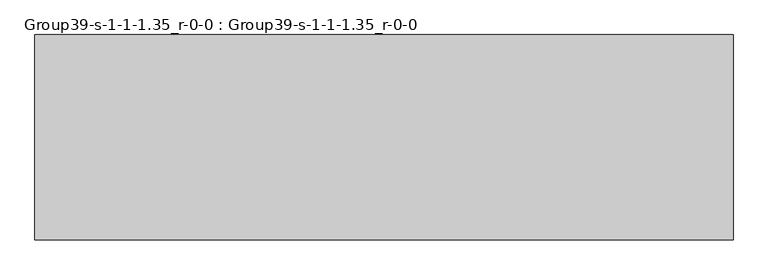
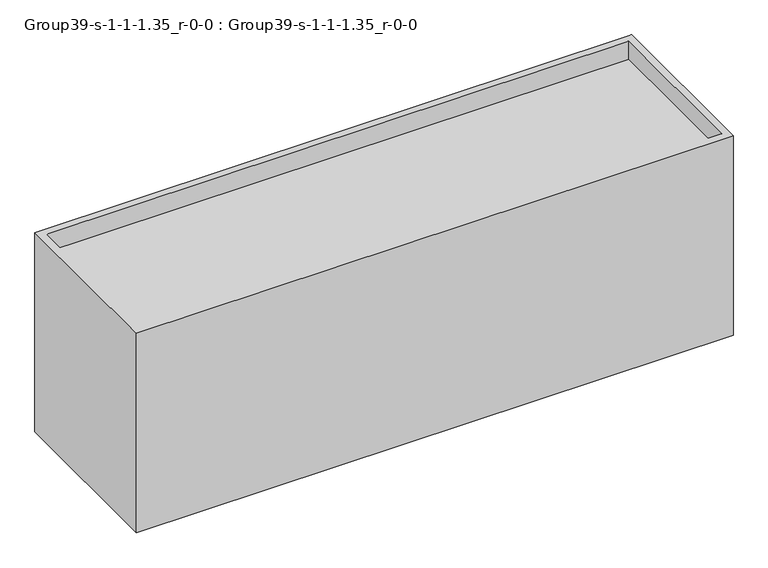
"""IFC4 building model written with IfcOpenShell, lengths in millimetres: geographic element geometry, Group39-s-1-1-1.35_r-0-0 : Group39-s-1-1-1.35_r-0-0."""

from ifc_helpers import new_model, si_unit, origin, place, context, project, spatial, triangles, source, transform, mapped, element, save


def group39_s_1_1_1_35_r_0_0_group39_s_1_1_1_35_r_0_0_ffa6a269(model_context):
    return source(origin(), model_context, "Body", "Tessellation", [
        triangles([(16976.7253876, 7585.0748062, 0.0), (-8792.4749451, 0.0, 0.0), (-8792.4749451, 7585.0748062, 0.0), (16976.7253876, 0.0, 0.0), (-8792.4749451, 0.0, 9106.1918427), (16976.7253876, 0.0, 9106.1918427), (16671.9253876, 7280.2748062, 9106.1918427), (16671.9253876, 304.8, 8283.2316101), (16671.9253876, 304.8, 9106.1918427), (16671.9253876, 7280.2748062, 8283.2316101), (-8487.6749451, 7280.2748062, 8283.2316101), (-8487.6749451, 7280.2748062, 9106.1918427), (16976.7253876, 7585.0748062, 9106.1918427), (-8487.6749451, 304.8, 8283.2316101), (-8487.6749451, 304.8, 9106.1918427), (-8792.4749451, 7585.0748062, 9106.1918427)], [[1, 2, 3], [2, 1, 4], [4, 5, 2], [5, 4, 6], [7, 8, 9], [8, 7, 10], [7, 11, 10], [11, 7, 12], [1, 6, 4], [6, 1, 13], [8, 11, 14], [11, 8, 10], [15, 8, 14], [8, 15, 9], [16, 1, 3], [1, 16, 13], [11, 15, 14], [15, 11, 12], [5, 3, 2], [3, 5, 16], [5, 15, 16], [15, 5, 6], [15, 6, 9], [9, 6, 7], [16, 12, 13], [12, 16, 15], [13, 12, 7], [13, 7, 6]]),
    ])


if __name__ == "__main__":
    model = new_model("IFC4")
    model_context = context("Model", 3, world=origin())
    ifc_project = project(units=[si_unit("LENGTHUNIT", "METRE", prefix="MILLI")], contexts=[model_context])
    site = spatial("IfcSite", under=ifc_project)
    building = spatial("IfcBuilding", under=site)
    placement = place(None, origin())
    group39_s_1_1_1_35_r_0_0_group39_s_1_1_1_35_r_0_0_shape = group39_s_1_1_1_35_r_0_0_group39_s_1_1_1_35_r_0_0_ffa6a269(model_context)
    element("IfcGeographicElement", 1, ObjectType="Group39-s-1-1-1.35_r-0-0 : Group39-s-1-1-1.35_r-0-0", at=placement, inside=building, context=model_context, shape_type="MappedRepresentation", body=[
        mapped(group39_s_1_1_1_35_r_0_0_group39_s_1_1_1_35_r_0_0_shape, transform((0.0, 0.0, 0.0), x_axis=(1.0, 0.0, 0.0), y_axis=(0.0, 1.0, 0.0), z_axis=(0.0, 0.0, 1.0))),
    ])
    save(model, "model.ifc")
